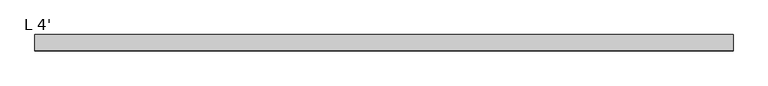
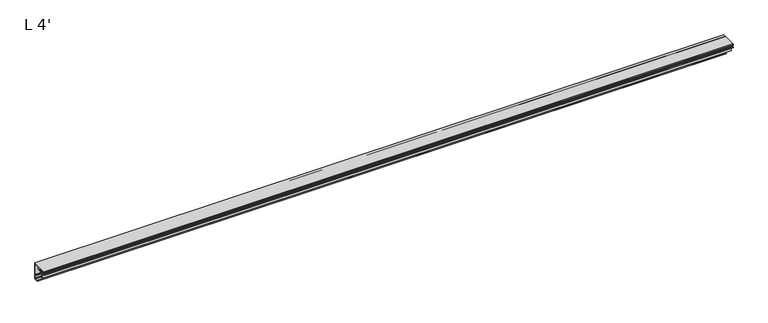
"""IFC4 building model written with IfcOpenShell, lengths in millimetres: proxy geometry, L 4'."""

from ifc_helpers import new_model, si_unit, point, frame, frame_2d, origin, place, context, project, spatial, polyline, circle_curve, trimmed, segment, composite_curve, outline, extrude, source, transform, mapped, element, save


def l_4_f9d0f107(model_context):
    return source(origin(), model_context, "Body", "SweptSolid", [
        extrude(outline(composite_curve([segment(trimmed(circle_curve(frame_2d((-2.38252, 2.38252)), 0.79502), [point((-2.38252, 1.5875))], [point((-1.5875, 2.38252))], True, "CARTESIAN"), True, "CONTINUOUS"), segment(polyline([(-1.5875, 2.38252), (-1.5875, 6.7934484), (-1.2699562, 7.5066635), (-1.2699562, 8.3683365), (-1.5875, 9.0815516), (-1.5875, 26.3297034)]), True, "CONTINUOUS"), segment(trimmed(circle_curve(frame_2d((-3.683, 26.3297034)), 2.0955), [point((-1.5875, 26.3297034))], [point((-3.683, 28.4252034))], True, "CARTESIAN"), True, "CONTINUOUS"), segment(polyline([(-3.683, 28.4252034), (-9.525, 28.4252034)]), True, "CONTINUOUS"), segment(trimmed(circle_curve(frame_2d((-9.525, 27.6301834)), 0.79502), [point((-9.525, 28.4252034))], [point((-10.32002, 27.6301834))], True, "CARTESIAN"), True, "CONTINUOUS"), segment(polyline([(-10.32002, 27.6301834), (-10.32002, 23.8125), (-20.6375, 23.8125), (-20.6375, 14.2875), (-22.225, 14.2875), (-22.225, 23.8125), (-28.575, 23.8125), (-28.575, 25.0711017), (-27.727801, 25.3251017), (-26.9589275, 25.0711017), (-26.1117286, 25.3251017), (-25.3428551, 25.0711017), (-24.4956561, 25.3251017), (-23.7267826, 25.0711017), (-22.8795836, 25.3251017), (-22.1107101, 25.0711017), (-21.2635111, 25.3251017), (-20.4946376, 25.0711017), (-19.6474387, 25.3251017), (-18.8785651, 25.0711017), (-18.0313662, 25.3251017), (-17.2624927, 25.0711017), (-16.4152937, 25.3251017), (-15.6464202, 25.0711017), (-14.7992212, 25.3251017), (-14.0303477, 25.0711017), (-12.954, 25.452102), (-12.954, 28.3731014), (-14.0303477, 28.7541017), (-14.7992212, 28.5001017), (-15.6464202, 28.7541017), (-16.4152937, 28.5001017), (-17.2624927, 28.7541017), (-18.0313662, 28.5001017), (-18.8785651, 28.7541017), (-19.6474387, 28.5001017), (-20.4946376, 28.7541017), (-21.2635111, 28.5001017), (-22.1107101, 28.7541017), (-22.8795836, 28.5001017), (-23.7267826, 28.7541017), (-24.4956561, 28.5001017), (-25.3428551, 28.7541017), (-26.1117286, 28.5001017), (-26.9589275, 28.7541017), (-27.727801, 28.5001017), (-28.575, 28.7541017), (-28.575, 29.5465817)]), True, "CONTINUOUS"), segment(trimmed(circle_curve(frame_2d((-27.77998, 29.5465817)), 0.79502), [point((-28.575, 29.5465817))], [point((-27.77998, 30.3416017))], False, "CARTESIAN"), True, "CONTINUOUS"), segment(polyline([(-27.77998, 30.3416017), (0.0, 30.3416017), (0.0, 0.0), (-7.9375, 0.0), (-7.9375, 1.5875), (-2.38252, 1.5875)]), True, "CONTINUOUS")], self_intersect=False)), frame((0.0, 0.0, 0.0), z_axis=(1.0, 0.0, 0.0), x_axis=(0.0, 1.0, 0.0)), (0.0, 0.0, 1.0), 1219.2),
    ])


if __name__ == "__main__":
    model = new_model("IFC4")
    model_context = context("Model", 3, world=origin())
    ifc_project = project(units=[si_unit("LENGTHUNIT", "METRE", prefix="MILLI")], contexts=[model_context])
    site = spatial("IfcSite", under=ifc_project)
    building = spatial("IfcBuilding", under=site)
    placement = place(None, origin())
    l_4_shape = l_4_f9d0f107(model_context)
    element("IfcBuildingElementProxy", 1, Name="L 4'", ObjectType="L 4'", at=placement, inside=building, context=model_context, shape_type="MappedRepresentation", body=[
        mapped(l_4_shape, transform((0.0, 0.0, 0.0), x_axis=(1.0, 0.0, 0.0), y_axis=(0.0, 1.0, 0.0), z_axis=(0.0, 0.0, 1.0))),
    ])
    save(model, "model.ifc")
